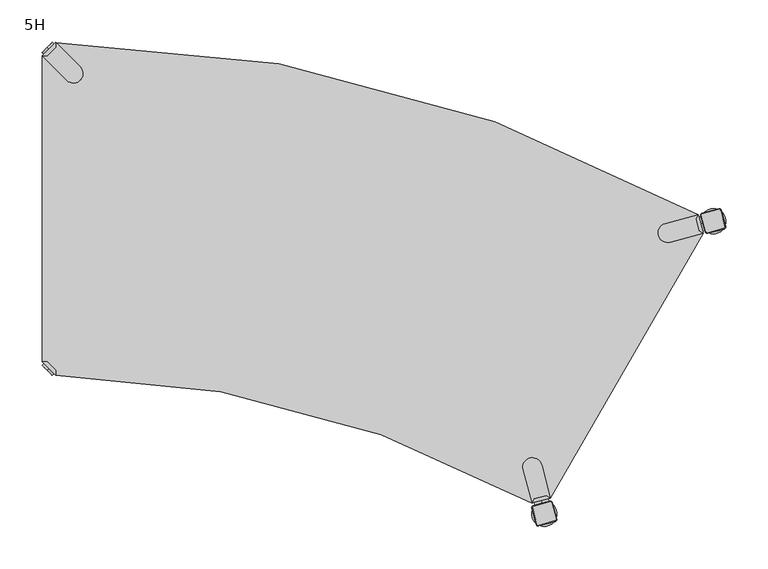
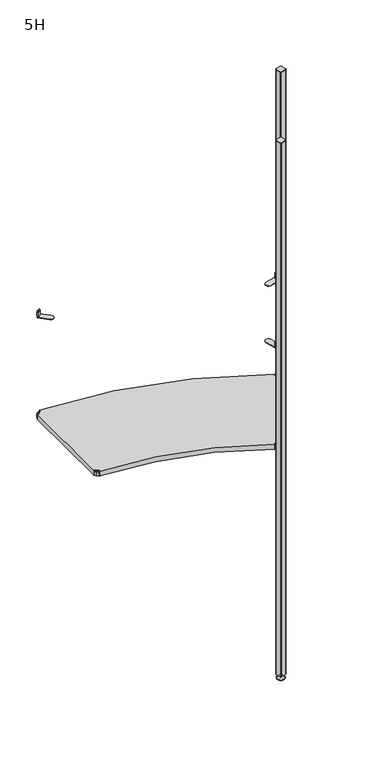
"""IFC4 building model written with IfcOpenShell, lengths in millimetres: furniture geometry, 5H."""

from ifc_helpers import new_model, si_unit, point, frame, frame_2d, origin, place, context, project, spatial, polyline, circle_curve, trimmed, segment, composite_curve, outline, extrude, source, transform, mapped, element, save
from ifc_brep_helpers import plane_surface, cylinder_surface, revolved_surface, advanced_brep


def furniture_5h_e961f744(model_context):
    return source(origin(), model_context, "Body", "SolidModel", [
        advanced_brep(
        [(784.3573865, -207.0864775, 0.0), (797.3477675, -214.5864775, 0.0), (810.3381486, -222.0864775, 0.0), (784.3573865, -207.0864775, 2.0), (810.3381486, -222.0864775, 2.0), (790.4195643, -210.5864775, 9.0), (804.2759707, -218.5864775, 9.0), (793.8836659, -212.5864775, 9.0), (800.8118691, -216.5864775, 9.0), (793.8836659, -212.5864775, 15.0), (800.8118691, -216.5864775, 15.0), (797.3477675, -214.5864775, 15.0)],
        [
            (0, 1),
            (1, 2),
            (2, 0, circle_curve(frame((797.3477675, -214.5864775, 0.0), z_axis=(0.0, 0.0, -1.0), x_axis=(0.8660254037844338, -0.5000000000000082, 0.0)), 15.0)),
            (0, 2, circle_curve(frame((797.3477675, -214.5864775, 0.0), z_axis=(0.0, 0.0, -1.0), x_axis=(0.8660254037844338, -0.5000000000000082, 0.0)), 15.0)),
            (3, 0),
            (2, 4),
            (4, 3, circle_curve(frame((797.3477675, -214.5864775, 2.0), z_axis=(0.0, 0.0, -1.0), x_axis=(0.8660254037844338, -0.5000000000000082, 0.0)), 15.0)),
            (3, 4, circle_curve(frame((797.3477675, -214.5864775, 2.0), z_axis=(0.0, 0.0, -1.0), x_axis=(0.8660254037844338, -0.5000000000000082, 0.0)), 15.0)),
            (5, 3),
            (4, 6),
            (6, 5, circle_curve(frame((797.3477675, -214.5864775, 9.0), z_axis=(0.0, 0.0, -1.0), x_axis=(0.8660254037844338, -0.5000000000000082, 0.0)), 8.0)),
            (5, 6, circle_curve(frame((797.3477675, -214.5864775, 9.0), z_axis=(0.0, 0.0, -1.0), x_axis=(0.8660254037844338, -0.5000000000000082, 0.0)), 8.0)),
            (7, 5),
            (6, 8),
            (8, 7, circle_curve(frame((797.3477675, -214.5864775, 9.0), z_axis=(0.0, 0.0, -1.0), x_axis=(0.8660254037844338, -0.5000000000000082, 0.0)), 4.0)),
            (7, 8, circle_curve(frame((797.3477675, -214.5864775, 9.0), z_axis=(0.0, 0.0, -1.0), x_axis=(0.8660254037844338, -0.5000000000000082, 0.0)), 4.0)),
            (9, 7),
            (8, 10),
            (10, 9, circle_curve(frame((797.3477675, -214.5864775, 15.0), z_axis=(0.0, 0.0, -1.0), x_axis=(0.8660254037844338, -0.5000000000000082, 0.0)), 4.0)),
            (9, 10, circle_curve(frame((797.3477675, -214.5864775, 15.0), z_axis=(0.0, 0.0, -1.0), x_axis=(0.8660254037844338, -0.5000000000000082, 0.0)), 4.0)),
            (11, 9),
            (10, 11),
        ],
        [
            plane_surface(frame((797.3477675, -214.5864775, 0.0), z_axis=(0.0, 0.0, -1.0), x_axis=(0.8660254037844339, -0.5000000000000083, 0.0))),
            cylinder_surface(frame((797.3477675, -214.5864775, 18.6083303), z_axis=(0.0, 0.0, 1.0), x_axis=(0.8660254037844338, -0.5000000000000082, 0.0)), 15.0),
            revolved_surface(polyline([(810.3381486, -222.0864775, 2.0), (804.2759707, -218.5864775, 9.0)]), (797.3477675, -214.5864775, 18.6083303), (0.0, 0.0, 1.0)),
            plane_surface(frame((797.3477675, -214.5864775, 9.0), z_axis=(0.0, 0.0, 1.0), x_axis=(0.8660254037844339, -0.5000000000000083, 0.0))),
            cylinder_surface(frame((797.3477675, -214.5864775, 18.6083303), z_axis=(0.0, 0.0, 1.0), x_axis=(0.8660254037844338, -0.5000000000000082, 0.0)), 4.0),
            plane_surface(frame((797.3477675, -214.5864775, 15.0), z_axis=(0.0, 0.0, 1.0), x_axis=(0.8660254037844339, -0.5000000000000083, 0.0))),
        ],
        [
            (0, [[1, 2, 3]]),
            (0, [[-2, -1, 4]]),
            (1, [[5, -3, 6, 7]]),
            (1, [[-6, -4, -5, 8]]),
            (2, [[9, -7, 10, 11]]),
            (2, [[-10, -8, -9, 12]]),
            (3, [[13, -11, 14, 15]]),
            (3, [[-14, -12, -13, 16]]),
            (4, [[17, -15, 18, 19]]),
            (4, [[-18, -16, -17, 20]]),
            (5, [[21, -19, 22]]),
            (5, [[-22, -20, -21]]),
        ],
    ),
        advanced_brep(
        [(788.6346258, -227.2739186, 2117.0), (790.7166921, -228.4760001, 2117.0), (810.0352086, -223.2996192, 2117.0), (811.2372901, -221.2175529, 2117.0), (806.0609092, -201.8990364, 2117.0), (803.9788429, -200.6969549, 2117.0), (784.6603264, -205.8733358, 2117.0), (783.4582449, -207.9554021, 2117.0), (787.8618851, -227.4809738, 2115.0), (782.6855042, -208.1624573, 2115.0), (784.4532712, -205.1005951, 2115.0), (803.7717877, -199.9242142, 2115.0), (806.8336499, -201.6919812, 2115.0), (812.0100308, -221.0104977, 2115.0), (810.2422638, -224.0723599, 2115.0), (790.9237473, -229.2487408, 2115.0)],
        [
            (0, 1, circle_curve(frame((790.2766997, -226.8339262, 2117.0), z_axis=(0.0, 0.0, 1.0), x_axis=(0.25881904510250914, -0.9659258262890713, 0.0)), 1.7)),
            (1, 2),
            (2, 3, circle_curve(frame((809.5952162, -221.6575453, 2117.0), z_axis=(0.0, 0.0, 1.0), x_axis=(0.9659258262890675, 0.258819045102523, 0.0)), 1.7)),
            (3, 4),
            (4, 5, circle_curve(frame((804.4188353, -202.3390288, 2117.0), z_axis=(0.0, 0.0, 1.0), x_axis=(-0.25881904510251363, 0.9659258262890702, 0.0)), 1.7)),
            (5, 6),
            (6, 7, circle_curve(frame((785.1003188, -207.5154097, 2117.0), z_axis=(0.0, 0.0, 1.0), x_axis=(-0.965925826289073, -0.25881904510250314, 0.0)), 1.7)),
            (7, 0),
            (8, 9),
            (9, 10, circle_curve(frame((785.1003188, -207.5154097, 2115.0), z_axis=(0.0, 0.0, -1.0), x_axis=(-0.965925826289073, -0.25881904510250314, 0.0)), 2.5)),
            (10, 11),
            (11, 12, circle_curve(frame((804.4188353, -202.3390288, 2115.0), z_axis=(0.0, 0.0, -1.0), x_axis=(-0.25881904510251363, 0.9659258262890702, 0.0)), 2.5)),
            (12, 13),
            (13, 14, circle_curve(frame((809.5952162, -221.6575453, 2115.0), z_axis=(0.0, 0.0, -1.0), x_axis=(0.9659258262890675, 0.258819045102523, 0.0)), 2.5)),
            (14, 15),
            (15, 8, circle_curve(frame((790.2766997, -226.8339262, 2115.0), z_axis=(0.0, 0.0, -1.0), x_axis=(0.25881904510250914, -0.9659258262890713, 0.0)), 2.5)),
            (8, 0),
            (7, 9),
            (6, 10),
            (5, 11),
            (4, 12),
            (3, 13),
            (2, 14),
            (1, 15),
        ],
        [
            plane_surface(frame((797.3477675, -214.5864775, 2117.0), z_axis=(0.0, 0.0, 1.0000000000000002), x_axis=(-0.9659258262890712, -0.2588190451025102, 0.0))),
            plane_surface(frame((797.3477675, -214.5864775, 2115.0), z_axis=(0.0, 0.0, -1.0000000000000002), x_axis=(-0.9659258262890712, -0.2588190451025102, 0.0))),
            plane_surface(frame((785.2736947, -217.8217156, 2115.0), z_axis=(-0.8968396148335177, -0.2403074505348618, 0.3713906763540281), x_axis=(-0.25881904510250225, 0.9659258262890733, 0.0))),
            revolved_surface(polyline([(783.458244872, -207.95540206799998, 2117.0), (782.6855042, -208.1624573, 2115.0)]), (785.1003188, -207.5154097, 2121.25), (0.0, 0.0, -1.0)),
            plane_surface(frame((794.1125294, -202.5124047, 2115.0), z_axis=(-0.2403074505348654, 0.8968396148335208, 0.37139067635401873), x_axis=(0.9659258262890725, 0.2588190451025051, 0.0))),
            revolved_surface(polyline([(803.978842932, -200.696954872, 2117.0), (803.7717877, -199.9242142, 2115.0)]), (804.4188353, -202.3390288, 2121.25), (0.0, 0.0, -1.0)),
            plane_surface(frame((809.4218403, -211.3512394, 2115.0), z_axis=(0.8968396148335338, 0.24030745053487898, 0.3713906763539787), x_axis=(0.25881904510252046, -0.9659258262890684, 0.0))),
            revolved_surface(polyline([(811.2372901279999, -221.21755293200002, 2117.0), (812.0100308, -221.0104977, 2115.0)]), (809.5952162, -221.6575453, 2121.25), (0.0, 0.0, -1.0)),
            plane_surface(frame((800.5830056, -226.6605503, 2115.0), z_axis=(0.24030745053488872, -0.8968396148335293, 0.3713906763539829), x_axis=(-0.9659258262890682, -0.25881904510252096, 0.0))),
            revolved_surface(polyline([(790.7166920679999, -228.476000128, 2117.0), (790.9237473, -229.2487408, 2115.0)]), (790.2766997, -226.8339262, 2121.25), (0.0, 0.0, -1.0)),
        ],
        [
            (0, [[1, 2, 3, 4, 5, 6, 7, 8]]),
            (1, [[9, 10, 11, 12, 13, 14, 15, 16]]),
            (2, [[17, -8, 18, -9]]),
            (3, [[-18, -7, 19, -10]]),
            (4, [[-19, -6, 20, -11]]),
            (5, [[-20, -5, 21, -12]]),
            (6, [[-21, -4, 22, -13]]),
            (7, [[-22, -3, 23, -14]]),
            (8, [[-23, -2, 24, -15]]),
            (9, [[-24, -1, -17, -16]]),
        ],
    ),
        extrude(outline(composite_curve([segment(polyline([(810.2422638, -224.0723599), (790.9237473, -229.2487408)]), True, "CONTINUOUS"), segment(trimmed(circle_curve(frame_2d((790.2766997, -226.8339262)), 2.5), [point((790.9237473, -229.2487408))], [point((787.8618851, -227.4809738))], False, "CARTESIAN"), True, "CONTINUOUS"), segment(polyline([(787.8618851, -227.4809738), (782.6855042, -208.1624573)]), True, "CONTINUOUS"), segment(trimmed(circle_curve(frame_2d((785.1003188, -207.5154097)), 2.5), [point((782.6855042, -208.1624573))], [point((784.4532712, -205.1005951))], False, "CARTESIAN"), True, "CONTINUOUS"), segment(polyline([(784.4532712, -205.1005951), (803.7717877, -199.9242142)]), True, "CONTINUOUS"), segment(trimmed(circle_curve(frame_2d((804.4188353, -202.3390288)), 2.5), [point((803.7717877, -199.9242142))], [point((806.8336499, -201.6919812))], False, "CARTESIAN"), True, "CONTINUOUS"), segment(polyline([(806.8336499, -201.6919812), (812.0100308, -221.0104977)]), True, "CONTINUOUS"), segment(trimmed(circle_curve(frame_2d((809.5952162, -221.6575453)), 2.5), [point((812.0100308, -221.0104977))], [point((810.2422638, -224.0723599))], False, "CARTESIAN"), True, "CONTINUOUS")], self_intersect=False)), frame((0.0, 0.0, 15.0), z_axis=(0.0, 0.0, 1.0), x_axis=(1.0, 0.0, 0.0)), (0.0, 0.0, 1.0), 2100.0),
        advanced_brep(
        [(584.3575668, -553.4963267, 0.0), (610.3383289, -568.4963267, 0.0), (597.3479479, -560.9963267, 0.0), (584.3575668, -553.4963267, 2.0), (610.3383289, -568.4963267, 2.0), (590.4197446, -556.9963267, 9.0), (604.2761511, -564.9963267, 9.0), (593.8838462, -558.9963267, 9.0), (600.8120495, -562.9963267, 9.0), (593.8838462, -558.9963267, 15.0), (600.8120495, -562.9963267, 15.0), (597.3479479, -560.9963267, 15.0)],
        [
            (0, 1, circle_curve(frame((597.3479479, -560.9963267, 0.0), z_axis=(0.0, 0.0, -1.0), x_axis=(0.866025403784441, -0.4999999999999961, 0.0)), 15.0)),
            (1, 2),
            (2, 0),
            (1, 0, circle_curve(frame((597.3479479, -560.9963267, 0.0), z_axis=(0.0, 0.0, -1.0), x_axis=(0.866025403784441, -0.4999999999999961, 0.0)), 15.0)),
            (3, 4, circle_curve(frame((597.3479479, -560.9963267, 2.0), z_axis=(0.0, 0.0, -1.0), x_axis=(0.866025403784441, -0.4999999999999961, 0.0)), 15.0)),
            (4, 1),
            (0, 3),
            (4, 3, circle_curve(frame((597.3479479, -560.9963267, 2.0), z_axis=(0.0, 0.0, -1.0), x_axis=(0.866025403784441, -0.4999999999999961, 0.0)), 15.0)),
            (5, 6, circle_curve(frame((597.3479479, -560.9963267, 9.0), z_axis=(0.0, 0.0, -1.0), x_axis=(0.866025403784441, -0.4999999999999961, 0.0)), 8.0)),
            (6, 4),
            (3, 5),
            (6, 5, circle_curve(frame((597.3479479, -560.9963267, 9.0), z_axis=(0.0, 0.0, -1.0), x_axis=(0.866025403784441, -0.4999999999999961, 0.0)), 8.0)),
            (7, 8, circle_curve(frame((597.3479479, -560.9963267, 9.0), z_axis=(0.0, 0.0, -1.0), x_axis=(0.866025403784441, -0.4999999999999961, 0.0)), 4.0)),
            (8, 6),
            (5, 7),
            (8, 7, circle_curve(frame((597.3479479, -560.9963267, 9.0), z_axis=(0.0, 0.0, -1.0), x_axis=(0.866025403784441, -0.4999999999999961, 0.0)), 4.0)),
            (9, 10, circle_curve(frame((597.3479479, -560.9963267, 15.0), z_axis=(0.0, 0.0, -1.0), x_axis=(0.866025403784441, -0.4999999999999961, 0.0)), 4.0)),
            (10, 8),
            (7, 9),
            (10, 9, circle_curve(frame((597.3479479, -560.9963267, 15.0), z_axis=(0.0, 0.0, -1.0), x_axis=(0.866025403784441, -0.4999999999999961, 0.0)), 4.0)),
            (11, 10),
            (9, 11),
        ],
        [
            plane_surface(frame((597.3479479, -560.9963267, 0.0), z_axis=(0.0, 0.0, -1.0000000000000002), x_axis=(0.866025403784441, -0.4999999999999961, 0.0))),
            cylinder_surface(frame((597.3479479, -560.9963267, 18.6083303), z_axis=(0.0, 0.0, 1.0), x_axis=(0.866025403784441, -0.4999999999999961, 0.0)), 15.0),
            revolved_surface(polyline([(610.3383289, -568.4963267, 2.0), (604.2761511, -564.9963267, 9.0)]), (597.3479479, -560.9963267, 18.6083303), (0.0, 0.0, 1.0)),
            plane_surface(frame((597.3479479, -560.9963267, 9.0), z_axis=(0.0, 0.0, 1.0000000000000002), x_axis=(0.866025403784441, -0.4999999999999961, 0.0))),
            cylinder_surface(frame((597.3479479, -560.9963267, 18.6083303), z_axis=(0.0, 0.0, 1.0), x_axis=(0.866025403784441, -0.4999999999999961, 0.0)), 4.0),
            plane_surface(frame((597.3479479, -560.9963267, 15.0), z_axis=(0.0, 0.0, 1.0000000000000002), x_axis=(0.866025403784441, -0.4999999999999961, 0.0))),
        ],
        [
            (0, [[1, 2, 3]]),
            (0, [[4, -3, -2]]),
            (1, [[5, 6, -1, 7]]),
            (1, [[8, -7, -4, -6]]),
            (2, [[9, 10, -5, 11]]),
            (2, [[12, -11, -8, -10]]),
            (3, [[13, 14, -9, 15]]),
            (3, [[16, -15, -12, -14]]),
            (4, [[17, 18, -13, 19]]),
            (4, [[20, -19, -16, -18]]),
            (5, [[21, -17, 22]]),
            (5, [[-22, -20, -21]]),
        ],
    ),
        advanced_brep(
        [(603.9790233, -547.106804, 2117.0), (584.6605068, -552.2831849, 2117.0), (583.4584252, -554.3652512, 2117.0), (588.6348061, -573.6837677, 2117.0), (590.7168724, -574.8858493, 2117.0), (610.0353889, -569.7094684, 2117.0), (611.2374705, -567.6274021, 2117.0), (606.0610896, -548.3088856, 2117.0), (603.7719681, -546.3340634, 2115.0), (606.8338302, -548.1018303, 2115.0), (612.0102111, -567.4203469, 2115.0), (610.2424442, -570.482209, 2115.0), (590.9239277, -575.6585899, 2115.0), (587.8620655, -573.890823, 2115.0), (582.6856846, -554.5723065, 2115.0), (584.4534515, -551.5104443, 2115.0)],
        [
            (0, 1),
            (1, 2, circle_curve(frame((585.1004991, -553.9252588, 2117.0), z_axis=(0.0, 0.0, 1.0), x_axis=(-0.2588190451025336, 0.9659258262890651, 0.0)), 1.7)),
            (2, 3),
            (3, 4, circle_curve(frame((590.27688, -573.2437754, 2117.0), z_axis=(0.0, 0.0, 1.0), x_axis=(-0.9659258262890679, -0.25881904510252307, 0.0)), 1.7)),
            (4, 5),
            (5, 6, circle_curve(frame((609.5953966, -568.0673945, 2117.0), z_axis=(0.0, 0.0, 1.0), x_axis=(0.2588190451025136, -0.9659258262890702, 0.0)), 1.7)),
            (6, 7),
            (7, 0, circle_curve(frame((604.4190157, -548.7488779, 2117.0), z_axis=(0.0, 0.0, 1.0), x_axis=(0.9659258262890666, 0.2588190451025275, 0.0)), 1.7)),
            (8, 9, circle_curve(frame((604.4190157, -548.7488779, 2115.0), z_axis=(0.0, 0.0, -1.0), x_axis=(0.9659258262890666, 0.2588190451025275, 0.0)), 2.5)),
            (9, 10),
            (10, 11, circle_curve(frame((609.5953966, -568.0673945, 2115.0), z_axis=(0.0, 0.0, -1.0), x_axis=(0.2588190451025136, -0.9659258262890702, 0.0)), 2.5)),
            (11, 12),
            (12, 13, circle_curve(frame((590.27688, -573.2437754, 2115.0), z_axis=(0.0, 0.0, -1.0), x_axis=(-0.9659258262890679, -0.25881904510252307, 0.0)), 2.5)),
            (13, 14),
            (14, 15, circle_curve(frame((585.1004991, -553.9252588, 2115.0), z_axis=(0.0, 0.0, -1.0), x_axis=(-0.2588190451025336, 0.9659258262890651, 0.0)), 2.5)),
            (15, 8),
            (15, 1),
            (0, 8),
            (14, 2),
            (13, 3),
            (12, 4),
            (11, 5),
            (10, 6),
            (9, 7),
        ],
        [
            plane_surface(frame((597.3479479, -560.9963267, 2117.0), z_axis=(0.0, 0.0, 1.0000000000000002), x_axis=(-0.25881904510252657, 0.9659258262890669, 0.0))),
            plane_surface(frame((597.3479479, -560.9963267, 2115.0), z_axis=(0.0, 0.0, -1.0000000000000002), x_axis=(-0.25881904510252657, 0.9659258262890669, 0.0))),
            plane_surface(frame((594.1127098, -548.9222538, 2115.0), z_axis=(-0.24030745053489164, 0.8968396148335097, 0.3713906763540281), x_axis=(-0.9659258262890646, -0.2588190451025344, 0.0))),
            revolved_surface(polyline([(584.660506732, -552.2831849400001, 2117.0), (584.4534515, -551.5104443, 2115.0)]), (585.1004991, -553.9252588, 2121.25), (0.0, 0.0, -1.0)),
            plane_surface(frame((585.273875, -564.2315647, 2115.0), z_axis=(-0.8968396148335143, -0.2403074505348901, 0.37139067635401884), x_axis=(0.2588190451025317, -0.9659258262890655, 0.0))),
            revolved_surface(polyline([(588.63480614, -573.6837677679999, 2117.0), (587.8620655, -573.890823, 2115.0)]), (590.27688, -573.2437754, 2121.25), (0.0, 0.0, -1.0)),
            plane_surface(frame((600.5831859, -573.0703995, 2115.0), z_axis=(0.24030745053488473, -0.8968396148335321, 0.3713906763539787), x_axis=(0.9659258262890695, 0.2588190451025162, 0.0))),
            revolved_surface(polyline([(610.035388968, -569.70946836, 2117.0), (610.2424442, -570.482209, 2115.0)]), (609.5953966, -568.0673945, 2121.25), (0.0, 0.0, -1.0)),
            plane_surface(frame((609.4220207, -557.7610886, 2115.0), z_axis=(0.8968396148335332, 0.24030745053487412, 0.37139067635398293), x_axis=(-0.2588190451025157, 0.9659258262890696, 0.0))),
            revolved_surface(polyline([(606.06108956, -548.308885532, 2117.0), (606.8338302, -548.1018303, 2115.0)]), (604.4190157, -548.7488779, 2121.25), (0.0, 0.0, -1.0)),
        ],
        [
            (0, [[1, 2, 3, 4, 5, 6, 7, 8]]),
            (1, [[9, 10, 11, 12, 13, 14, 15, 16]]),
            (2, [[-16, 17, -1, 18]]),
            (3, [[-15, 19, -2, -17]]),
            (4, [[-14, 20, -3, -19]]),
            (5, [[-13, 21, -4, -20]]),
            (6, [[-12, 22, -5, -21]]),
            (7, [[-11, 23, -6, -22]]),
            (8, [[-10, 24, -7, -23]]),
            (9, [[-9, -18, -8, -24]]),
        ],
    ),
        extrude(outline(composite_curve([segment(trimmed(circle_curve(frame_2d((609.5953966, -568.0673945)), 2.5), [point((612.0102111, -567.4203469))], [point((610.2424442, -570.482209))], False, "CARTESIAN"), True, "CONTINUOUS"), segment(polyline([(610.2424442, -570.482209), (590.9239277, -575.6585899)]), True, "CONTINUOUS"), segment(trimmed(circle_curve(frame_2d((590.27688, -573.2437754)), 2.5), [point((590.9239277, -575.6585899))], [point((587.8620655, -573.890823))], False, "CARTESIAN"), True, "CONTINUOUS"), segment(polyline([(587.8620655, -573.890823), (582.6856846, -554.5723065)]), True, "CONTINUOUS"), segment(trimmed(circle_curve(frame_2d((585.1004991, -553.9252588)), 2.5), [point((582.6856846, -554.5723065))], [point((584.4534515, -551.5104443))], False, "CARTESIAN"), True, "CONTINUOUS"), segment(polyline([(584.4534515, -551.5104443), (603.7719681, -546.3340634)]), True, "CONTINUOUS"), segment(trimmed(circle_curve(frame_2d((604.4190157, -548.7488779)), 2.5), [point((603.7719681, -546.3340634))], [point((606.8338302, -548.1018303))], False, "CARTESIAN"), True, "CONTINUOUS"), segment(polyline([(606.8338302, -548.1018303), (612.0102111, -567.4203469)]), True, "CONTINUOUS")], self_intersect=False)), frame((0.0, 0.0, 15.0), z_axis=(0.0, 0.0, 1.0), x_axis=(1.0, 0.0, 0.0)), (0.0, 0.0, 1.0), 2100.0),
        advanced_brep(
        [(10.9601551, -10.9601551, 898.5), (10.9601551, -10.9601551, 915.5), (10.9601551, -10.9601551, 907.0), (8.8388348, -8.8388348, 898.5), (8.8388348, -8.8388348, 915.5), (8.8388348, -8.8388348, 907.0)],
        [
            (0, 1, circle_curve(frame((10.9601551, -10.9601551, 907.0), z_axis=(0.7071067811865465, -0.7071067811865486, 0.0), x_axis=(0.0, 0.0, 1.0)), 8.5)),
            (1, 2),
            (2, 0),
            (1, 0, circle_curve(frame((10.9601551, -10.9601551, 907.0), z_axis=(0.7071067811865465, -0.7071067811865486, 0.0), x_axis=(0.0, 0.0, 1.0)), 8.5)),
            (3, 4, circle_curve(frame((8.8388348, -8.8388348, 907.0), z_axis=(0.7071067811865465, -0.7071067811865486, 0.0), x_axis=(0.0, 0.0, 1.0)), 8.5)),
            (4, 1),
            (0, 3),
            (4, 3, circle_curve(frame((8.8388348, -8.8388348, 907.0), z_axis=(0.7071067811865465, -0.7071067811865486, 0.0), x_axis=(0.0, 0.0, 1.0)), 8.5)),
            (5, 4),
            (3, 5),
        ],
        [
            plane_surface(frame((10.9601551, -10.9601551, 907.0), z_axis=(0.7071067811865461, -0.707106781186549, 0.0), x_axis=(0.0, 0.0, 1.0))),
            cylinder_surface(frame((8.8388348, -8.8388348, 907.0), z_axis=(-0.7071067811865465, 0.7071067811865486, 0.0), x_axis=(0.0, 0.0, 1.0)), 8.5),
            plane_surface(frame((8.8388348, -8.8388348, 907.0), z_axis=(-0.7071067811865461, 0.707106781186549, 0.0), x_axis=(0.0, 0.0, 1.0))),
        ],
        [
            (0, [[1, 2, 3]]),
            (0, [[4, -3, -2]]),
            (1, [[5, 6, -1, 7]]),
            (1, [[8, -7, -4, -6]]),
            (2, [[9, -5, 10]]),
            (2, [[-10, -8, -9]]),
        ],
    ),
        advanced_brep(
        [(18.9203102, -3.0, 917.0), (3.0, -18.9203102, 917.0), (8.6568542, -18.9203102, 917.0), (18.9203102, -8.6568542, 917.0), (18.9203102, -3.0, 898.0), (18.9203102, -3.0, 897.0), (3.0, -18.9203102, 897.0), (3.0, -18.9203102, 898.0), (8.6568542, -18.9203102, 898.0), (18.9203102, -8.6568542, 898.0), (31.8093975, -47.7297077, 898.0), (47.7297077, -31.8093975, 898.0), (47.7297077, -31.8093975, 897.0), (31.8093975, -47.7297077, 897.0)],
        [
            (0, 1),
            (1, 2),
            (2, 3),
            (3, 0),
            (0, 4),
            (4, 5),
            (5, 6),
            (6, 7),
            (7, 1),
            (2, 8),
            (8, 9),
            (9, 3),
            (9, 4),
            (7, 8),
            (7, 10),
            (10, 11, circle_curve(frame((39.7695526, -39.7695526, 898.0), z_axis=(0.0, 0.0, 1.0), x_axis=(1.0, 0.0, 0.0)), 11.2573593)),
            (11, 4),
            (5, 12),
            (12, 13, circle_curve(frame((39.7695526, -39.7695526, 897.0), z_axis=(0.0, 0.0, -1.0), x_axis=(1.0, 0.0, 0.0)), 11.2573593)),
            (13, 6),
            (13, 10),
            (12, 11),
        ],
        [
            plane_surface(frame((-38.8756299, -60.7959401, 917.0), z_axis=(0.0, 0.0, 1.0), x_axis=(-0.7071067811865556, -0.7071067811865396, 0.0))),
            plane_surface(frame((18.9203102, -3.0, 917.0), z_axis=(-0.7071067811865396, 0.7071067811865556, 0.0), x_axis=(0.0, 0.0, -1.0))),
            plane_surface(frame((8.6568542, -18.9203102, 917.0), z_axis=(0.7071067811865482, -0.7071067811865468, 0.0), x_axis=(0.0, 0.0, -1.0))),
            plane_surface(frame((18.9203102, -8.6568542, 917.0), z_axis=(1.0, 0.0, 0.0), x_axis=(0.0, 0.0, -1.0))),
            plane_surface(frame((3.0, -18.9203102, 917.0), z_axis=(0.0, -1.0, 0.0), x_axis=(0.0, 0.0, -1.0))),
            plane_surface(frame((3.0, -18.9203102, 898.0), z_axis=(0.0, 0.0, 1.0), x_axis=(-0.7071067811865483, -0.7071067811865467, 0.0))),
            plane_surface(frame((3.0, -18.9203102, 897.0), z_axis=(0.0, 0.0, -1.0), x_axis=(0.7071067811865483, 0.7071067811865467, 0.0))),
            plane_surface(frame((3.0, -18.9203102, 898.0), z_axis=(-0.707106781186549, -0.7071067811865461, 0.0), x_axis=(0.0, 0.0, -1.0))),
            cylinder_surface(frame((39.7695526, -39.7695526, 897.0), z_axis=(0.0, 0.0, 1.0), x_axis=(1.0, 0.0, 0.0)), 11.2573593),
            plane_surface(frame((47.7297077, -31.8093975, 898.0), z_axis=(0.7071067811865479, 0.7071067811865472, 0.0), x_axis=(0.0, 0.0, -1.0))),
        ],
        [
            (0, [[1, 2, 3, 4]]),
            (1, [[-1, 5, 6, 7, 8, 9]]),
            (2, [[-3, 10, 11, 12]]),
            (3, [[-4, -12, 13, -5]]),
            (4, [[-2, -9, 14, -10]]),
            (5, [[15, 16, 17, -13, -11, -14]]),
            (6, [[18, 19, 20, -7]]),
            (7, [[-15, -8, -20, 21]]),
            (8, [[-16, -21, -19, 22]]),
            (9, [[-17, -22, -18, -6]]),
        ],
    ),
        advanced_brep(
        [(782.7920217, -217.8852702, 898.5), (782.7920217, -217.8852702, 907.0), (782.7920217, -217.8852702, 915.5), (785.6897991, -217.108813, 898.5), (785.6897991, -217.108813, 915.5), (785.6897991, -217.108813, 907.0)],
        [
            (0, 1),
            (1, 2),
            (2, 0, circle_curve(frame((782.7920217, -217.8852702, 907.0), z_axis=(-0.9659258262890685, -0.25881904510252, 0.0), x_axis=(0.0, 0.0, 1.0)), 8.5)),
            (0, 2, circle_curve(frame((782.7920217, -217.8852702, 907.0), z_axis=(-0.9659258262890685, -0.25881904510252, 0.0), x_axis=(0.0, 0.0, 1.0)), 8.5)),
            (3, 0),
            (2, 4),
            (4, 3, circle_curve(frame((785.6897991, -217.108813, 907.0), z_axis=(-0.9659258262890685, -0.25881904510252, 0.0), x_axis=(0.0, 0.0, 1.0)), 8.5)),
            (3, 4, circle_curve(frame((785.6897991, -217.108813, 907.0), z_axis=(-0.9659258262890685, -0.25881904510252, 0.0), x_axis=(0.0, 0.0, 1.0)), 8.5)),
            (5, 3),
            (4, 5),
        ],
        [
            plane_surface(frame((782.7920217, -217.8852702, 907.0), z_axis=(-0.9659258262890684, -0.25881904510252063, 0.0), x_axis=(0.0, 0.0, 1.0))),
            cylinder_surface(frame((785.6897991, -217.108813, 907.0), z_axis=(0.9659258262890685, 0.25881904510252, 0.0), x_axis=(0.0, 0.0, 1.0)), 8.5),
            plane_surface(frame((785.6897991, -217.108813, 907.0), z_axis=(0.9659258262890684, 0.25881904510252063, 0.0), x_axis=(0.0, 0.0, 1.0))),
        ],
        [
            (0, [[1, 2, 3]]),
            (0, [[-2, -1, 4]]),
            (1, [[5, -3, 6, 7]]),
            (1, [[-6, -4, -5, 8]]),
            (2, [[9, -7, 10]]),
            (2, [[-10, -8, -9]]),
        ],
    ),
        advanced_brep(
        [(779.8784027, -207.0114961, 917.0), (777.0499756, -211.9104756, 917.0), (780.8066612, -225.9306171, 917.0), (785.7056407, -228.7590443, 917.0), (785.7056407, -228.7590443, 898.0), (785.7056407, -228.7590443, 897.0), (779.8784027, -207.0114961, 897.0), (779.8784027, -207.0114961, 898.0), (777.0499756, -211.9104756, 898.0), (780.8066612, -225.9306171, 898.0), (740.5240338, -217.5564674, 898.0), (746.3512718, -239.3040156, 898.0), (746.3512718, -239.3040156, 897.0), (740.5240338, -217.5564674, 897.0)],
        [
            (0, 1),
            (1, 2),
            (2, 3),
            (3, 0),
            (3, 4),
            (4, 5),
            (5, 6),
            (6, 7),
            (7, 0),
            (1, 8),
            (8, 9),
            (9, 2),
            (7, 8),
            (9, 4),
            (7, 10),
            (10, 11, circle_curve(frame((743.4376528, -228.4302415, 898.0), z_axis=(0.0, 0.0, 1.0), x_axis=(-0.8660254037844375, 0.5000000000000021, 0.0)), 11.2573593)),
            (11, 4),
            (5, 12),
            (12, 13, circle_curve(frame((743.4376528, -228.4302415, 897.0), z_axis=(0.0, 0.0, -1.0), x_axis=(-0.8660254037844375, 0.5000000000000021, 0.0)), 11.2573593)),
            (13, 6),
            (11, 12),
            (10, 13),
        ],
        [
            plane_surface(frame((801.033185, -285.9622185, 917.0), z_axis=(0.0, 0.0, 1.0), x_axis=(0.25881904510252957, -0.965925826289066, 0.0))),
            plane_surface(frame((779.8784027, -207.0114961, 917.0), z_axis=(0.965925826289066, 0.25881904510252957, 0.0), x_axis=(0.0, 0.0, -1.0))),
            plane_surface(frame((780.8066612, -225.9306171, 917.0), z_axis=(-0.9659258262890692, -0.2588190451025176, 0.0), x_axis=(0.0, 0.0, -1.0))),
            plane_surface(frame((777.0499756, -211.9104756, 917.0), z_axis=(-0.866025403784462, 0.4999999999999597, 0.0), x_axis=(0.0, 0.0, -1.0))),
            plane_surface(frame((785.7056407, -228.7590443, 917.0), z_axis=(-0.4999999999999963, -0.8660254037844408, 0.0), x_axis=(0.0, 0.0, -1.0))),
            plane_surface(frame((785.7056407, -228.7590443, 898.0), z_axis=(0.0, 0.0, 1.0), x_axis=(0.2588190451025197, -0.9659258262890686, 0.0))),
            plane_surface(frame((785.7056407, -228.7590443, 897.0), z_axis=(0.0, 0.0, -1.0), x_axis=(-0.2588190451025197, 0.9659258262890686, 0.0))),
            plane_surface(frame((785.7056407, -228.7590443, 898.0), z_axis=(0.25881904510252063, -0.9659258262890684, 0.0), x_axis=(0.0, 0.0, -1.0))),
            cylinder_surface(frame((743.4376528, -228.4302415, 897.0), z_axis=(0.0, 0.0, 1.0), x_axis=(-0.8660254037844375, 0.5000000000000021, 0.0)), 11.2573593),
            plane_surface(frame((740.5240338, -217.5564674, 898.0), z_axis=(-0.2588190451025191, 0.9659258262890689, 0.0), x_axis=(0.0, 0.0, -1.0))),
        ],
        [
            (0, [[1, 2, 3, 4]]),
            (1, [[5, 6, 7, 8, 9, -4]]),
            (2, [[10, 11, 12, -2]]),
            (3, [[-9, 13, -10, -1]]),
            (4, [[-12, 14, -5, -3]]),
            (5, [[-14, -11, -13, 15, 16, 17]]),
            (6, [[-7, 18, 19, 20]]),
            (7, [[21, -18, -6, -17]]),
            (8, [[22, -19, -21, -16]]),
            (9, [[-8, -20, -22, -15]]),
        ],
    ),
        advanced_brep(
        [(593.7274939, -545.3267511, 898.5), (593.7274939, -545.3267511, 915.5), (593.7274939, -545.3267511, 907.0), (594.503951, -548.2245285, 898.5), (594.503951, -548.2245285, 915.5), (594.503951, -548.2245285, 907.0)],
        [
            (0, 1, circle_curve(frame((593.7274939, -545.3267511, 907.0), z_axis=(-0.25881904510252524, 0.9659258262890672, 0.0), x_axis=(0.0, 0.0, 1.0)), 8.5)),
            (1, 2),
            (2, 0),
            (1, 0, circle_curve(frame((593.7274939, -545.3267511, 907.0), z_axis=(-0.25881904510252524, 0.9659258262890672, 0.0), x_axis=(0.0, 0.0, 1.0)), 8.5)),
            (3, 4, circle_curve(frame((594.503951, -548.2245285, 907.0), z_axis=(-0.25881904510252524, 0.9659258262890672, 0.0), x_axis=(0.0, 0.0, 1.0)), 8.5)),
            (4, 1),
            (0, 3),
            (4, 3, circle_curve(frame((594.503951, -548.2245285, 907.0), z_axis=(-0.25881904510252524, 0.9659258262890672, 0.0), x_axis=(0.0, 0.0, 1.0)), 8.5)),
            (5, 4),
            (3, 5),
        ],
        [
            plane_surface(frame((593.7274939, -545.3267511, 907.0), z_axis=(-0.2588190451025247, 0.9659258262890673, 0.0), x_axis=(0.0, 0.0, 1.0))),
            cylinder_surface(frame((594.503951, -548.2245285, 907.0), z_axis=(0.25881904510252524, -0.9659258262890672, 0.0), x_axis=(0.0, 0.0, 1.0)), 8.5),
            plane_surface(frame((594.503951, -548.2245285, 907.0), z_axis=(0.2588190451025247, -0.9659258262890673, 0.0), x_axis=(0.0, 0.0, 1.0))),
        ],
        [
            (0, [[1, 2, 3]]),
            (0, [[4, -3, -2]]),
            (1, [[5, 6, -1, 7]]),
            (1, [[8, -7, -4, -6]]),
            (2, [[9, -5, 10]]),
            (2, [[-10, -8, -9]]),
        ],
    ),
        advanced_brep(
        [(582.8537198, -548.2403701, 917.0), (604.601268, -542.4131321, 917.0), (599.7022885, -539.584705, 917.0), (585.6821469, -543.3413906, 917.0), (582.8537198, -548.2403701, 898.0), (582.8537198, -548.2403701, 897.0), (604.601268, -542.4131321, 897.0), (604.601268, -542.4131321, 898.0), (599.7022885, -539.584705, 898.0), (585.6821469, -543.3413906, 898.0), (594.0562966, -503.0587632, 898.0), (572.3087484, -508.8860012, 898.0), (572.3087484, -508.8860012, 897.0), (594.0562966, -503.0587632, 897.0)],
        [
            (0, 1),
            (1, 2),
            (2, 3),
            (3, 0),
            (0, 4),
            (4, 5),
            (5, 6),
            (6, 7),
            (7, 1),
            (2, 8),
            (8, 9),
            (9, 3),
            (9, 4),
            (7, 8),
            (7, 10),
            (10, 11, circle_curve(frame((583.1825225, -505.9723822, 898.0), z_axis=(0.0, 0.0, 1.0), x_axis=(-0.8660254037844418, 0.49999999999999467, 0.0)), 11.2573593)),
            (11, 4),
            (5, 12),
            (12, 13, circle_curve(frame((583.1825225, -505.9723822, 897.0), z_axis=(0.0, 0.0, -1.0), x_axis=(-0.8660254037844418, 0.49999999999999467, 0.0)), 11.2573593)),
            (13, 6),
            (13, 10),
            (12, 11),
        ],
        [
            plane_surface(frame((661.8044422, -527.0855877, 917.0), z_axis=(0.0, 0.0, 1.0000000000000002), x_axis=(0.9659258262890698, 0.25881904510251574, 0.0))),
            plane_surface(frame((582.8537198, -548.2403701, 917.0), z_axis=(0.25881904510251574, -0.9659258262890698, 0.0), x_axis=(0.0, 0.0, -1.0))),
            plane_surface(frame((599.7022885, -539.584705, 917.0), z_axis=(-0.25881904510252757, 0.9659258262890665, 0.0), x_axis=(0.0, 0.0, -1.0))),
            plane_surface(frame((585.6821469, -543.3413906, 917.0), z_axis=(-0.8660254037844173, 0.5000000000000371, 0.0), x_axis=(0.0, 0.0, -1.0))),
            plane_surface(frame((604.601268, -542.4131321, 917.0), z_axis=(0.5000000000000004, 0.8660254037844385, 0.0), x_axis=(0.0, 0.0, -1.0))),
            plane_surface(frame((604.601268, -542.4131321, 898.0), z_axis=(0.0, 0.0, 1.0), x_axis=(0.9659258262890671, 0.25881904510252546, 0.0))),
            plane_surface(frame((604.601268, -542.4131321, 897.0), z_axis=(0.0, 0.0, -1.0), x_axis=(-0.9659258262890671, -0.25881904510252546, 0.0))),
            plane_surface(frame((604.601268, -542.4131321, 898.0), z_axis=(0.9659258262890673, 0.2588190451025247, 0.0), x_axis=(0.0, 0.0, -1.0))),
            cylinder_surface(frame((583.1825225, -505.9723822, 897.0), z_axis=(0.0, 0.0, 1.0), x_axis=(-0.8660254037844418, 0.49999999999999467, 0.0)), 11.2573593),
            plane_surface(frame((572.3087484, -508.8860012, 898.0), z_axis=(-0.9659258262890669, -0.2588190451025262, 0.0), x_axis=(0.0, 0.0, -1.0))),
        ],
        [
            (0, [[1, 2, 3, 4]]),
            (1, [[-1, 5, 6, 7, 8, 9]]),
            (2, [[-3, 10, 11, 12]]),
            (3, [[-4, -12, 13, -5]]),
            (4, [[-2, -9, 14, -10]]),
            (5, [[15, 16, 17, -13, -11, -14]]),
            (6, [[18, 19, 20, -7]]),
            (7, [[-15, -8, -20, 21]]),
            (8, [[-16, -21, -19, 22]]),
            (9, [[-17, -22, -18, -6]]),
        ],
    ),
        advanced_brep(
        [(10.9601551, -389.0398449, 898.5), (10.9601551, -389.0398449, 907.0), (10.9601551, -389.0398449, 915.5), (8.8388348, -391.1611652, 898.5), (8.8388348, -391.1611652, 915.5), (8.8388348, -391.1611652, 907.0)],
        [
            (0, 1),
            (1, 2),
            (2, 0, circle_curve(frame((10.9601551, -389.0398449, 907.0), z_axis=(0.7071067811865509, 0.7071067811865441, 0.0), x_axis=(0.0, 0.0, 1.0)), 8.5)),
            (0, 2, circle_curve(frame((10.9601551, -389.0398449, 907.0), z_axis=(0.7071067811865509, 0.7071067811865441, 0.0), x_axis=(0.0, 0.0, 1.0)), 8.5)),
            (3, 0),
            (2, 4),
            (4, 3, circle_curve(frame((8.8388348, -391.1611652, 907.0), z_axis=(0.7071067811865509, 0.7071067811865441, 0.0), x_axis=(0.0, 0.0, 1.0)), 8.5)),
            (3, 4, circle_curve(frame((8.8388348, -391.1611652, 907.0), z_axis=(0.7071067811865509, 0.7071067811865441, 0.0), x_axis=(0.0, 0.0, 1.0)), 8.5)),
            (5, 3),
            (4, 5),
        ],
        [
            plane_surface(frame((10.9601551, -389.0398449, 907.0), z_axis=(0.7071067811865506, 0.7071067811865446, 0.0), x_axis=(0.0, 0.0, 1.0))),
            cylinder_surface(frame((8.8388348, -391.1611652, 907.0), z_axis=(-0.7071067811865509, -0.7071067811865441, 0.0), x_axis=(0.0, 0.0, 1.0)), 8.5),
            plane_surface(frame((8.8388348, -391.1611652, 907.0), z_axis=(-0.7071067811865506, -0.7071067811865446, 0.0), x_axis=(0.0, 0.0, 1.0))),
        ],
        [
            (0, [[1, 2, 3]]),
            (0, [[-2, -1, 4]]),
            (1, [[5, -3, 6, 7]]),
            (1, [[-6, -4, -5, 8]]),
            (2, [[9, -7, 10]]),
            (2, [[-10, -8, -9]]),
        ],
    ),
        advanced_brep(
        [(18.9203102, -397.0, 917.0), (18.9203102, -391.3431458, 917.0), (8.6568542, -381.0796898, 917.0), (3.0, -381.0796898, 917.0), (3.0, -381.0796898, 898.0), (3.0, -381.0796898, 897.0), (18.9203102, -397.0, 897.0), (18.9203102, -397.0, 898.0), (18.9203102, -391.3431458, 898.0), (8.6568542, -381.0796898, 898.0), (47.7297077, -368.1906025, 898.0), (31.8093975, -352.2702923, 898.0), (31.8093975, -352.2702923, 897.0), (47.7297077, -368.1906025, 897.0)],
        [
            (0, 1),
            (1, 2),
            (2, 3),
            (3, 0),
            (3, 4),
            (4, 5),
            (5, 6),
            (6, 7),
            (7, 0),
            (1, 8),
            (8, 9),
            (9, 2),
            (7, 8),
            (9, 4),
            (7, 10),
            (10, 11, circle_curve(frame((39.7695526, -360.2304474, 898.0), z_axis=(0.0, 0.0, 1.0), x_axis=(1.0, 0.0, 0.0)), 11.2573593)),
            (11, 4),
            (5, 12),
            (12, 13, circle_curve(frame((39.7695526, -360.2304474, 897.0), z_axis=(0.0, 0.0, -1.0), x_axis=(1.0, 0.0, 0.0)), 11.2573593)),
            (13, 6),
            (11, 12),
            (10, 13),
        ],
        [
            plane_surface(frame((-38.8756299, -339.2040599, 917.0), z_axis=(0.0, 0.0, 1.0000000000000002), x_axis=(-0.7071067811865511, 0.707106781186544, 0.0))),
            plane_surface(frame((18.9203102, -397.0, 917.0), z_axis=(-0.707106781186544, -0.7071067811865511, 0.0), x_axis=(0.0, 0.0, -1.0))),
            plane_surface(frame((8.6568542, -381.0796898, 917.0), z_axis=(0.7071067811865527, 0.7071067811865424, 0.0), x_axis=(0.0, 0.0, -1.0))),
            plane_surface(frame((18.9203102, -391.3431458, 917.0), z_axis=(1.0, 0.0, 0.0), x_axis=(0.0, 0.0, -1.0))),
            plane_surface(frame((3.0, -381.0796898, 917.0), z_axis=(0.0, 1.0, 0.0), x_axis=(0.0, 0.0, -1.0))),
            plane_surface(frame((3.0, -381.0796898, 898.0), z_axis=(0.0, 0.0, 1.0), x_axis=(-0.7071067811865439, 0.7071067811865511, 0.0))),
            plane_surface(frame((3.0, -381.0796898, 897.0), z_axis=(0.0, 0.0, -1.0), x_axis=(0.7071067811865439, -0.7071067811865511, 0.0))),
            plane_surface(frame((3.0, -381.0796898, 898.0), z_axis=(-0.7071067811865446, 0.7071067811865506, 0.0), x_axis=(0.0, 0.0, -1.0))),
            cylinder_surface(frame((39.7695526, -360.2304474, 897.0), z_axis=(0.0, 0.0, 1.0), x_axis=(1.0, 0.0, 0.0)), 11.2573593),
            plane_surface(frame((47.7297077, -368.1906025, 898.0), z_axis=(0.7071067811865435, -0.7071067811865517, 0.0), x_axis=(0.0, 0.0, -1.0))),
        ],
        [
            (0, [[1, 2, 3, 4]]),
            (1, [[5, 6, 7, 8, 9, -4]]),
            (2, [[10, 11, 12, -2]]),
            (3, [[-9, 13, -10, -1]]),
            (4, [[-12, 14, -5, -3]]),
            (5, [[-14, -11, -13, 15, 16, 17]]),
            (6, [[-7, 18, 19, 20]]),
            (7, [[21, -18, -6, -17]]),
            (8, [[22, -19, -21, -16]]),
            (9, [[-8, -20, -22, -15]]),
        ],
    ),
        extrude(outline(composite_curve([segment(polyline([(3.0, -381.0796898), (3.0, -18.9203102), (8.6568542, -18.9203102), (18.9203102, -8.6568542), (18.9203102, -3.1123896)]), True, "CONTINUOUS"), segment(trimmed(circle_curve(frame_2d((0.0, -1595.6333221)), 1592.6333221), [point((18.9203102, -3.1123896))], [point((779.8770965, -207.0107625))], False, "CARTESIAN"), True, "CONTINUOUS"), segment(polyline([(779.8770965, -207.0107625), (777.0494272, -211.9084292), (780.8066612, -225.9306171), (785.7022582, -228.7570914), (604.609961, -542.418151), (599.7022885, -539.584705), (585.6991478, -543.3368352), (582.8586275, -548.2567608)]), True, "CONTINUOUS"), segment(trimmed(circle_curve(frame_2d((0.0, -1595.6333221)), 1198.6333221), [point((582.8586275, -548.2567608))], [point((18.9203102, -397.1493369))], True, "CARTESIAN"), True, "CONTINUOUS"), segment(polyline([(18.9203102, -397.1493369), (18.9203102, -391.3431458), (8.6568542, -381.0796898), (3.0, -381.0796898)]), True, "CONTINUOUS")], self_intersect=False)), frame((0.0, 0.0, 898.0), z_axis=(0.0, 0.0, 1.0), x_axis=(1.0, 0.0, 0.0)), (0.0, 0.0, 1.0), 19.0),
        advanced_brep(
        [(10.9601551, -10.9601551, 1298.5), (10.9601551, -10.9601551, 1315.5), (10.9601551, -10.9601551, 1307.0), (8.8388348, -8.8388348, 1298.5), (8.8388348, -8.8388348, 1315.5), (8.8388348, -8.8388348, 1307.0)],
        [
            (0, 1, circle_curve(frame((10.9601551, -10.9601551, 1307.0), z_axis=(0.7071067811865465, -0.7071067811865486, 0.0), x_axis=(0.0, 0.0, 1.0)), 8.5)),
            (1, 2),
            (2, 0),
            (1, 0, circle_curve(frame((10.9601551, -10.9601551, 1307.0), z_axis=(0.7071067811865465, -0.7071067811865486, 0.0), x_axis=(0.0, 0.0, 1.0)), 8.5)),
            (3, 4, circle_curve(frame((8.8388348, -8.8388348, 1307.0), z_axis=(0.7071067811865465, -0.7071067811865486, 0.0), x_axis=(0.0, 0.0, 1.0)), 8.5)),
            (4, 1),
            (0, 3),
            (4, 3, circle_curve(frame((8.8388348, -8.8388348, 1307.0), z_axis=(0.7071067811865465, -0.7071067811865486, 0.0), x_axis=(0.0, 0.0, 1.0)), 8.5)),
            (5, 4),
            (3, 5),
        ],
        [
            plane_surface(frame((10.9601551, -10.9601551, 1307.0), z_axis=(0.7071067811865461, -0.707106781186549, 0.0), x_axis=(0.0, 0.0, 1.0))),
            cylinder_surface(frame((8.8388348, -8.8388348, 1307.0), z_axis=(-0.7071067811865465, 0.7071067811865486, 0.0), x_axis=(0.0, 0.0, 1.0)), 8.5),
            plane_surface(frame((8.8388348, -8.8388348, 1307.0), z_axis=(-0.7071067811865461, 0.707106781186549, 0.0), x_axis=(0.0, 0.0, 1.0))),
        ],
        [
            (0, [[1, 2, 3]]),
            (0, [[4, -3, -2]]),
            (1, [[5, 6, -1, 7]]),
            (1, [[8, -7, -4, -6]]),
            (2, [[9, -5, 10]]),
            (2, [[-10, -8, -9]]),
        ],
    ),
        advanced_brep(
        [(18.9203102, -3.0, 1317.0), (3.0, -18.9203102, 1317.0), (8.6568542, -18.9203102, 1317.0), (18.9203102, -8.6568542, 1317.0), (18.9203102, -3.0, 1298.0), (18.9203102, -3.0, 1297.0), (3.0, -18.9203102, 1297.0), (3.0, -18.9203102, 1298.0), (8.6568542, -18.9203102, 1298.0), (18.9203102, -8.6568542, 1298.0), (31.8093975, -47.7297077, 1298.0), (47.7297077, -31.8093975, 1298.0), (47.7297077, -31.8093975, 1297.0), (31.8093975, -47.7297077, 1297.0)],
        [
            (0, 1),
            (1, 2),
            (2, 3),
            (3, 0),
            (0, 4),
            (4, 5),
            (5, 6),
            (6, 7),
            (7, 1),
            (2, 8),
            (8, 9),
            (9, 3),
            (9, 4),
            (7, 8),
            (7, 10),
            (10, 11, circle_curve(frame((39.7695526, -39.7695526, 1298.0), z_axis=(0.0, 0.0, 1.0), x_axis=(1.0, 0.0, 0.0)), 11.2573593)),
            (11, 4),
            (5, 12),
            (12, 13, circle_curve(frame((39.7695526, -39.7695526, 1297.0), z_axis=(0.0, 0.0, -1.0), x_axis=(1.0, 0.0, 0.0)), 11.2573593)),
            (13, 6),
            (13, 10),
            (12, 11),
        ],
        [
            plane_surface(frame((-38.8756299, -60.7959401, 1317.0), z_axis=(0.0, 0.0, 1.0), x_axis=(-0.7071067811865556, -0.7071067811865396, 0.0))),
            plane_surface(frame((18.9203102, -3.0, 1317.0), z_axis=(-0.7071067811865396, 0.7071067811865556, 0.0), x_axis=(0.0, 0.0, -1.0))),
            plane_surface(frame((8.6568542, -18.9203102, 1317.0), z_axis=(0.7071067811865482, -0.7071067811865468, 0.0), x_axis=(0.0, 0.0, -1.0))),
            plane_surface(frame((18.9203102, -8.6568542, 1317.0), z_axis=(1.0, 0.0, 0.0), x_axis=(0.0, 0.0, -1.0))),
            plane_surface(frame((3.0, -18.9203102, 1317.0), z_axis=(0.0, -1.0, 0.0), x_axis=(0.0, 0.0, -1.0))),
            plane_surface(frame((3.0, -18.9203102, 1298.0), z_axis=(0.0, 0.0, 1.0), x_axis=(-0.7071067811865483, -0.7071067811865467, 0.0))),
            plane_surface(frame((3.0, -18.9203102, 1297.0), z_axis=(0.0, 0.0, -1.0), x_axis=(0.7071067811865483, 0.7071067811865467, 0.0))),
            plane_surface(frame((3.0, -18.9203102, 1298.0), z_axis=(-0.707106781186549, -0.7071067811865461, 0.0), x_axis=(0.0, 0.0, -1.0))),
            cylinder_surface(frame((39.7695526, -39.7695526, 1297.0), z_axis=(0.0, 0.0, 1.0), x_axis=(1.0, 0.0, 0.0)), 11.2573593),
            plane_surface(frame((47.7297077, -31.8093975, 1298.0), z_axis=(0.7071067811865479, 0.7071067811865472, 0.0), x_axis=(0.0, 0.0, -1.0))),
        ],
        [
            (0, [[1, 2, 3, 4]]),
            (1, [[-1, 5, 6, 7, 8, 9]]),
            (2, [[-3, 10, 11, 12]]),
            (3, [[-4, -12, 13, -5]]),
            (4, [[-2, -9, 14, -10]]),
            (5, [[15, 16, 17, -13, -11, -14]]),
            (6, [[18, 19, 20, -7]]),
            (7, [[-15, -8, -20, 21]]),
            (8, [[-16, -21, -19, 22]]),
            (9, [[-17, -22, -18, -6]]),
        ],
    ),
        advanced_brep(
        [(782.7920217, -217.8852702, 1298.5), (782.7920217, -217.8852702, 1307.0), (782.7920217, -217.8852702, 1315.5), (785.6897991, -217.108813, 1298.5), (785.6897991, -217.108813, 1315.5), (785.6897991, -217.108813, 1307.0)],
        [
            (0, 1),
            (1, 2),
            (2, 0, circle_curve(frame((782.7920217, -217.8852702, 1307.0), z_axis=(-0.9659258262890685, -0.25881904510252, 0.0), x_axis=(0.0, 0.0, 1.0)), 8.5)),
            (0, 2, circle_curve(frame((782.7920217, -217.8852702, 1307.0), z_axis=(-0.9659258262890685, -0.25881904510252, 0.0), x_axis=(0.0, 0.0, 1.0)), 8.5)),
            (3, 0),
            (2, 4),
            (4, 3, circle_curve(frame((785.6897991, -217.108813, 1307.0), z_axis=(-0.9659258262890685, -0.25881904510252, 0.0), x_axis=(0.0, 0.0, 1.0)), 8.5)),
            (3, 4, circle_curve(frame((785.6897991, -217.108813, 1307.0), z_axis=(-0.9659258262890685, -0.25881904510252, 0.0), x_axis=(0.0, 0.0, 1.0)), 8.5)),
            (5, 3),
            (4, 5),
        ],
        [
            plane_surface(frame((782.7920217, -217.8852702, 1307.0), z_axis=(-0.9659258262890684, -0.25881904510252063, 0.0), x_axis=(0.0, 0.0, 1.0))),
            cylinder_surface(frame((785.6897991, -217.108813, 1307.0), z_axis=(0.9659258262890685, 0.25881904510252, 0.0), x_axis=(0.0, 0.0, 1.0)), 8.5),
            plane_surface(frame((785.6897991, -217.108813, 1307.0), z_axis=(0.9659258262890684, 0.25881904510252063, 0.0), x_axis=(0.0, 0.0, 1.0))),
        ],
        [
            (0, [[1, 2, 3]]),
            (0, [[-2, -1, 4]]),
            (1, [[5, -3, 6, 7]]),
            (1, [[-6, -4, -5, 8]]),
            (2, [[9, -7, 10]]),
            (2, [[-10, -8, -9]]),
        ],
    ),
        advanced_brep(
        [(779.8784027, -207.0114961, 1317.0), (777.0499756, -211.9104756, 1317.0), (780.8066612, -225.9306171, 1317.0), (785.7056407, -228.7590443, 1317.0), (785.7056407, -228.7590443, 1298.0), (785.7056407, -228.7590443, 1297.0), (779.8784027, -207.0114961, 1297.0), (779.8784027, -207.0114961, 1298.0), (777.0499756, -211.9104756, 1298.0), (780.8066612, -225.9306171, 1298.0), (740.5240338, -217.5564674, 1298.0), (746.3512718, -239.3040156, 1298.0), (746.3512718, -239.3040156, 1297.0), (740.5240338, -217.5564674, 1297.0)],
        [
            (0, 1),
            (1, 2),
            (2, 3),
            (3, 0),
            (3, 4),
            (4, 5),
            (5, 6),
            (6, 7),
            (7, 0),
            (1, 8),
            (8, 9),
            (9, 2),
            (7, 8),
            (9, 4),
            (7, 10),
            (10, 11, circle_curve(frame((743.4376528, -228.4302415, 1298.0), z_axis=(0.0, 0.0, 1.0), x_axis=(-0.8660254037844375, 0.5000000000000021, 0.0)), 11.2573593)),
            (11, 4),
            (5, 12),
            (12, 13, circle_curve(frame((743.4376528, -228.4302415, 1297.0), z_axis=(0.0, 0.0, -1.0), x_axis=(-0.8660254037844375, 0.5000000000000021, 0.0)), 11.2573593)),
            (13, 6),
            (11, 12),
            (10, 13),
        ],
        [
            plane_surface(frame((801.033185, -285.9622185, 1317.0), z_axis=(0.0, 0.0, 1.0), x_axis=(0.25881904510252957, -0.965925826289066, 0.0))),
            plane_surface(frame((779.8784027, -207.0114961, 1317.0), z_axis=(0.965925826289066, 0.25881904510252957, 0.0), x_axis=(0.0, 0.0, -1.0))),
            plane_surface(frame((780.8066612, -225.9306171, 1317.0), z_axis=(-0.9659258262890692, -0.2588190451025176, 0.0), x_axis=(0.0, 0.0, -1.0))),
            plane_surface(frame((777.0499756, -211.9104756, 1317.0), z_axis=(-0.866025403784462, 0.4999999999999597, 0.0), x_axis=(0.0, 0.0, -1.0))),
            plane_surface(frame((785.7056407, -228.7590443, 1317.0), z_axis=(-0.4999999999999963, -0.8660254037844408, 0.0), x_axis=(0.0, 0.0, -1.0))),
            plane_surface(frame((785.7056407, -228.7590443, 1298.0), z_axis=(0.0, 0.0, 1.0), x_axis=(0.2588190451025197, -0.9659258262890686, 0.0))),
            plane_surface(frame((785.7056407, -228.7590443, 1297.0), z_axis=(0.0, 0.0, -1.0), x_axis=(-0.2588190451025197, 0.9659258262890686, 0.0))),
            plane_surface(frame((785.7056407, -228.7590443, 1298.0), z_axis=(0.25881904510252063, -0.9659258262890684, 0.0), x_axis=(0.0, 0.0, -1.0))),
            cylinder_surface(frame((743.4376528, -228.4302415, 1297.0), z_axis=(0.0, 0.0, 1.0), x_axis=(-0.8660254037844375, 0.5000000000000021, 0.0)), 11.2573593),
            plane_surface(frame((740.5240338, -217.5564674, 1298.0), z_axis=(-0.2588190451025191, 0.9659258262890689, 0.0), x_axis=(0.0, 0.0, -1.0))),
        ],
        [
            (0, [[1, 2, 3, 4]]),
            (1, [[5, 6, 7, 8, 9, -4]]),
            (2, [[10, 11, 12, -2]]),
            (3, [[-9, 13, -10, -1]]),
            (4, [[-12, 14, -5, -3]]),
            (5, [[-14, -11, -13, 15, 16, 17]]),
            (6, [[-7, 18, 19, 20]]),
            (7, [[21, -18, -6, -17]]),
            (8, [[22, -19, -21, -16]]),
            (9, [[-8, -20, -22, -15]]),
        ],
    ),
        advanced_brep(
        [(593.7274939, -545.3267511, 1298.5), (593.7274939, -545.3267511, 1315.5), (593.7274939, -545.3267511, 1307.0), (594.503951, -548.2245285, 1298.5), (594.503951, -548.2245285, 1315.5), (594.503951, -548.2245285, 1307.0)],
        [
            (0, 1, circle_curve(frame((593.7274939, -545.3267511, 1307.0), z_axis=(-0.25881904510252524, 0.9659258262890672, 0.0), x_axis=(0.0, 0.0, 1.0)), 8.5)),
            (1, 2),
            (2, 0),
            (1, 0, circle_curve(frame((593.7274939, -545.3267511, 1307.0), z_axis=(-0.25881904510252524, 0.9659258262890672, 0.0), x_axis=(0.0, 0.0, 1.0)), 8.5)),
            (3, 4, circle_curve(frame((594.503951, -548.2245285, 1307.0), z_axis=(-0.25881904510252524, 0.9659258262890672, 0.0), x_axis=(0.0, 0.0, 1.0)), 8.5)),
            (4, 1),
            (0, 3),
            (4, 3, circle_curve(frame((594.503951, -548.2245285, 1307.0), z_axis=(-0.25881904510252524, 0.9659258262890672, 0.0), x_axis=(0.0, 0.0, 1.0)), 8.5)),
            (5, 4),
            (3, 5),
        ],
        [
            plane_surface(frame((593.7274939, -545.3267511, 1307.0), z_axis=(-0.2588190451025247, 0.9659258262890673, 0.0), x_axis=(0.0, 0.0, 1.0))),
            cylinder_surface(frame((594.503951, -548.2245285, 1307.0), z_axis=(0.25881904510252524, -0.9659258262890672, 0.0), x_axis=(0.0, 0.0, 1.0)), 8.5),
            plane_surface(frame((594.503951, -548.2245285, 1307.0), z_axis=(0.2588190451025247, -0.9659258262890673, 0.0), x_axis=(0.0, 0.0, 1.0))),
        ],
        [
            (0, [[1, 2, 3]]),
            (0, [[4, -3, -2]]),
            (1, [[5, 6, -1, 7]]),
            (1, [[8, -7, -4, -6]]),
            (2, [[9, -5, 10]]),
            (2, [[-10, -8, -9]]),
        ],
    ),
        advanced_brep(
        [(582.8537198, -548.2403701, 1317.0), (604.601268, -542.4131321, 1317.0), (599.7022885, -539.584705, 1317.0), (585.6821469, -543.3413906, 1317.0), (582.8537198, -548.2403701, 1298.0), (582.8537198, -548.2403701, 1297.0), (604.601268, -542.4131321, 1297.0), (604.601268, -542.4131321, 1298.0), (599.7022885, -539.584705, 1298.0), (585.6821469, -543.3413906, 1298.0), (594.0562966, -503.0587632, 1298.0), (572.3087484, -508.8860012, 1298.0), (572.3087484, -508.8860012, 1297.0), (594.0562966, -503.0587632, 1297.0)],
        [
            (0, 1),
            (1, 2),
            (2, 3),
            (3, 0),
            (0, 4),
            (4, 5),
            (5, 6),
            (6, 7),
            (7, 1),
            (2, 8),
            (8, 9),
            (9, 3),
            (9, 4),
            (7, 8),
            (7, 10),
            (10, 11, circle_curve(frame((583.1825225, -505.9723822, 1298.0), z_axis=(0.0, 0.0, 1.0), x_axis=(-0.8660254037844418, 0.49999999999999467, 0.0)), 11.2573593)),
            (11, 4),
            (5, 12),
            (12, 13, circle_curve(frame((583.1825225, -505.9723822, 1297.0), z_axis=(0.0, 0.0, -1.0), x_axis=(-0.8660254037844418, 0.49999999999999467, 0.0)), 11.2573593)),
            (13, 6),
            (13, 10),
            (12, 11),
        ],
        [
            plane_surface(frame((661.8044422, -527.0855877, 1317.0), z_axis=(0.0, 0.0, 1.0000000000000002), x_axis=(0.9659258262890698, 0.25881904510251574, 0.0))),
            plane_surface(frame((582.8537198, -548.2403701, 1317.0), z_axis=(0.25881904510251574, -0.9659258262890698, 0.0), x_axis=(0.0, 0.0, -1.0))),
            plane_surface(frame((599.7022885, -539.584705, 1317.0), z_axis=(-0.25881904510252757, 0.9659258262890665, 0.0), x_axis=(0.0, 0.0, -1.0))),
            plane_surface(frame((585.6821469, -543.3413906, 1317.0), z_axis=(-0.8660254037844173, 0.5000000000000371, 0.0), x_axis=(0.0, 0.0, -1.0))),
            plane_surface(frame((604.601268, -542.4131321, 1317.0), z_axis=(0.5000000000000004, 0.8660254037844385, 0.0), x_axis=(0.0, 0.0, -1.0))),
            plane_surface(frame((604.601268, -542.4131321, 1298.0), z_axis=(0.0, 0.0, 1.0), x_axis=(0.9659258262890671, 0.25881904510252546, 0.0))),
            plane_surface(frame((604.601268, -542.4131321, 1297.0), z_axis=(0.0, 0.0, -1.0), x_axis=(-0.9659258262890671, -0.25881904510252546, 0.0))),
            plane_surface(frame((604.601268, -542.4131321, 1298.0), z_axis=(0.9659258262890673, 0.2588190451025247, 0.0), x_axis=(0.0, 0.0, -1.0))),
            cylinder_surface(frame((583.1825225, -505.9723822, 1297.0), z_axis=(0.0, 0.0, 1.0), x_axis=(-0.8660254037844418, 0.49999999999999467, 0.0)), 11.2573593),
            plane_surface(frame((572.3087484, -508.8860012, 1298.0), z_axis=(-0.9659258262890669, -0.2588190451025262, 0.0), x_axis=(0.0, 0.0, -1.0))),
        ],
        [
            (0, [[1, 2, 3, 4]]),
            (1, [[-1, 5, 6, 7, 8, 9]]),
            (2, [[-3, 10, 11, 12]]),
            (3, [[-4, -12, 13, -5]]),
            (4, [[-2, -9, 14, -10]]),
            (5, [[15, 16, 17, -13, -11, -14]]),
            (6, [[18, 19, 20, -7]]),
            (7, [[-15, -8, -20, 21]]),
            (8, [[-16, -21, -19, 22]]),
            (9, [[-17, -22, -18, -6]]),
        ],
    ),
    ])


if __name__ == "__main__":
    model = new_model("IFC4")
    model_context = context("Model", 3, world=origin())
    ifc_project = project(units=[si_unit("LENGTHUNIT", "METRE", prefix="MILLI")], contexts=[model_context])
    site = spatial("IfcSite", under=ifc_project)
    building = spatial("IfcBuilding", under=site)
    placement = place(None, origin())
    furniture_5h_shape = furniture_5h_e961f744(model_context)
    element("IfcFurniture", 1, ObjectType="5H", at=placement, inside=building, context=model_context, shape_type="MappedRepresentation", body=[
        mapped(furniture_5h_shape, transform((0.0, 0.0, 0.0), x_axis=(1.0, 0.0, 0.0), y_axis=(0.0, 1.0, 0.0), z_axis=(0.0, 0.0, 1.0))),
    ])
    save(model, "model.ifc")
